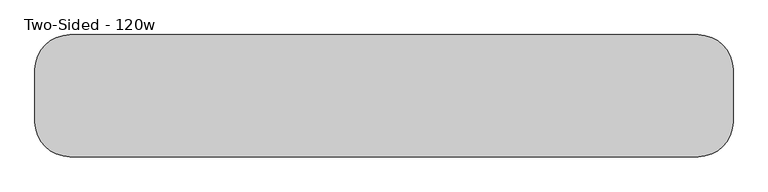
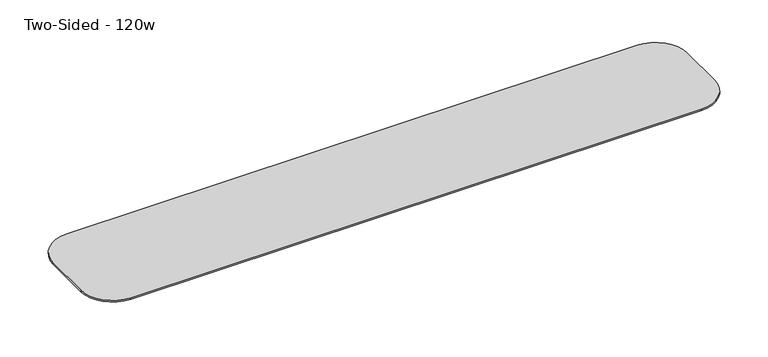
"""IFC4 building model written with IfcOpenShell, lengths in millimetres: furniture geometry, Two-Sided - 120w."""

from ifc_helpers import new_model, si_unit, frame, origin, place, context, project, spatial, polyline, circle_curve, outline, extrude, source, transform, mapped, element, save
from ifc_brep_helpers import plane_surface, cylinder_surface, revolved_surface, advanced_brep


def two_sided_120w_b69caf7f(model_context):
    return source(origin(), model_context, "Body", "SolidModel", [
        extrude(outline(polyline([(-142.2292425, 673.1), (-142.2292425, 711.2), (-2.5292425, 711.2), (-2.5292425, 704.85), (-142.2292425, 673.1)])), frame((902.664177, 0.0, 0.0), z_axis=(1.0, 0.0, 0.0), x_axis=(0.0, 1.0, 0.0)), (0.0, 0.0, 1.0), 82.55),
        extrude(outline(polyline([(-142.2292425, 673.1), (-142.2292425, 711.2), (-2.5292425, 711.2), (-2.5292425, 704.85), (-142.2292425, 673.1)])), frame((245.439177, 0.0, 0.0), z_axis=(1.0, 0.0, 0.0), x_axis=(0.0, 1.0, 0.0)), (0.0, 0.0, 1.0), 82.55),
        extrude(outline(polyline([(-142.2292425, 673.1), (-142.2292425, 711.2), (-2.5292425, 711.2), (-2.5292425, 704.85), (-142.2292425, 673.1)])), frame((-411.785823, 0.0, 0.0), z_axis=(1.0, 0.0, 0.0), x_axis=(0.0, 1.0, 0.0)), (0.0, 0.0, 1.0), 82.55),
        extrude(outline(polyline([(-243.8292425, 673.1), (-383.5292425, 704.85), (-383.5292425, 711.2), (-243.8292425, 711.2), (-243.8292425, 673.1)])), frame((902.664177, 0.0, 0.0), z_axis=(1.0, 0.0, 0.0), x_axis=(0.0, 1.0, 0.0)), (0.0, 0.0, 1.0), 82.55),
        extrude(outline(polyline([(-243.8292425, 673.1), (-383.5292425, 704.85), (-383.5292425, 711.2), (-243.8292425, 711.2), (-243.8292425, 673.1)])), frame((245.439177, 0.0, 0.0), z_axis=(1.0, 0.0, 0.0), x_axis=(0.0, 1.0, 0.0)), (0.0, 0.0, 1.0), 82.55),
        extrude(outline(polyline([(-243.8292425, 673.1), (-383.5292425, 704.85), (-383.5292425, 711.2), (-243.8292425, 711.2), (-243.8292425, 673.1)])), frame((-411.785823, 0.0, 0.0), z_axis=(1.0, 0.0, 0.0), x_axis=(0.0, 1.0, 0.0)), (0.0, 0.0, 1.0), 82.55),
        extrude(outline(polyline([(-142.2292425, 673.1), (-142.2292425, 711.2), (-2.5292425, 711.2), (-2.5292425, 704.85), (-142.2292425, 673.1)])), frame((1559.889177, 0.0, 0.0), z_axis=(1.0, 0.0, 0.0), x_axis=(0.0, 1.0, 0.0)), (0.0, 0.0, 1.0), 82.55),
        extrude(outline(polyline([(-142.2292425, 673.1), (-142.2292425, 711.2), (-2.5292425, 711.2), (-2.5292425, 704.85), (-142.2292425, 673.1)])), frame((-1069.010823, 0.0, 0.0), z_axis=(1.0, 0.0, 0.0), x_axis=(0.0, 1.0, 0.0)), (0.0, 0.0, 1.0), 82.55),
        extrude(outline(polyline([(-243.8292425, 673.1), (-383.5292425, 704.85), (-383.5292425, 711.2), (-243.8292425, 711.2), (-243.8292425, 673.1)])), frame((1559.889177, 0.0, 0.0), z_axis=(1.0, 0.0, 0.0), x_axis=(0.0, 1.0, 0.0)), (0.0, 0.0, 1.0), 82.55),
        extrude(outline(polyline([(-243.8292425, 673.1), (-383.5292425, 704.85), (-383.5292425, 711.2), (-243.8292425, 711.2), (-243.8292425, 673.1)])), frame((-1069.010823, 0.0, 0.0), z_axis=(1.0, 0.0, 0.0), x_axis=(0.0, 1.0, 0.0)), (0.0, 0.0, 1.0), 82.55),
        advanced_brep(
        [(1658.314177, 73.6707575, 742.95), (-1084.885823, 73.6707575, 742.95), (-1237.285823, -78.7292425, 742.95), (-1237.285823, -307.3292425, 742.95), (-1084.885823, -459.7292425, 742.95), (1658.314177, -459.7292425, 742.95), (1810.714177, -307.3292425, 742.95), (1810.714177, -78.7292425, 742.95), (1759.914177, -307.3292425, 711.2), (1658.314177, -408.9292425, 711.2), (-1084.885823, -408.9292425, 711.2), (-1186.485823, -307.3292425, 711.2), (-1186.485823, -78.7292425, 711.2), (-1084.885823, 22.8707575, 711.2), (1658.314177, 22.8707575, 711.2), (1759.914177, -78.7292425, 711.2), (1658.314177, 73.6707575, 734.45116), (-1084.885823, 73.6707575, 734.45116), (-1237.285823, -78.7292425, 734.45116), (-1237.285823, -307.3292425, 734.45116), (-1084.885823, -459.7292425, 734.45116), (1658.314177, -459.7292425, 734.45116), (1810.714177, -307.3292425, 734.45116), (1810.714177, -78.7292425, 734.45116)],
        [
            (0, 1),
            (1, 2, circle_curve(frame((-1084.885823, -78.7292425, 742.95), z_axis=(0.0, 0.0, 1.0), x_axis=(1.0, 0.0, 0.0)), 152.4)),
            (2, 3),
            (3, 4, circle_curve(frame((-1084.885823, -307.3292425, 742.95), z_axis=(0.0, 0.0, 1.0), x_axis=(1.0, 0.0, 0.0)), 152.4)),
            (4, 5),
            (5, 6, circle_curve(frame((1658.314177, -307.3292425, 742.95), z_axis=(0.0, 0.0, 1.0), x_axis=(1.0, 0.0, 0.0)), 152.4)),
            (6, 7),
            (7, 0, circle_curve(frame((1658.314177, -78.7292425, 742.95), z_axis=(0.0, 0.0, 1.0), x_axis=(1.0, 0.0, 0.0)), 152.4)),
            (8, 9, circle_curve(frame((1658.314177, -307.3292425, 711.2), z_axis=(0.0, 0.0, -1.0), x_axis=(0.0, -1.0, 0.0)), 101.6)),
            (9, 10),
            (10, 11, circle_curve(frame((-1084.885823, -307.3292425, 711.2), z_axis=(0.0, 0.0, -1.0), x_axis=(-1.0, 0.0, 0.0)), 101.6)),
            (11, 12),
            (12, 13, circle_curve(frame((-1084.885823, -78.7292425, 711.2), z_axis=(0.0, 0.0, -1.0), x_axis=(0.0, 1.0, 0.0)), 101.6)),
            (13, 14),
            (14, 15, circle_curve(frame((1658.314177, -78.7292425, 711.2), z_axis=(0.0, 0.0, -1.0), x_axis=(1.0, 0.0, 0.0)), 101.6)),
            (15, 8),
            (0, 16),
            (16, 17),
            (17, 1),
            (2, 18),
            (18, 19),
            (19, 3),
            (4, 20),
            (20, 21),
            (21, 5),
            (6, 22),
            (22, 23),
            (23, 7),
            (17, 18, circle_curve(frame((-1084.885823, -78.7292425, 734.45116), z_axis=(0.0, 0.0, 1.0), x_axis=(1.0, 0.0, 0.0)), 152.4)),
            (19, 20, circle_curve(frame((-1084.885823, -307.3292425, 734.45116), z_axis=(0.0, 0.0, 1.0), x_axis=(1.0, 0.0, 0.0)), 152.4)),
            (21, 22, circle_curve(frame((1658.314177, -307.3292425, 734.45116), z_axis=(0.0, 0.0, 1.0), x_axis=(1.0, 0.0, 0.0)), 152.4)),
            (23, 16, circle_curve(frame((1658.314177, -78.7292425, 734.45116), z_axis=(0.0, 0.0, 1.0), x_axis=(1.0, 0.0, 0.0)), 152.4)),
            (8, 22),
            (21, 9),
            (15, 23),
            (18, 12),
            (11, 19),
            (10, 20),
            (14, 16),
            (13, 17),
        ],
        [
            plane_surface(frame((-1084.885823, 73.6707575, 742.95), z_axis=(0.0, 0.0, 1.0), x_axis=(-1.0, 0.0, 0.0))),
            plane_surface(frame((-1084.885823, 73.6707575, 711.2), z_axis=(0.0, 0.0, -1.0), x_axis=(1.0, 0.0, 0.0))),
            plane_surface(frame((1658.314177, 73.6707575, 742.95), z_axis=(0.0, 1.0, 0.0), x_axis=(0.0, 0.0, -1.0))),
            plane_surface(frame((-1237.285823, -78.7292425, 742.95), z_axis=(-1.0, 0.0, 0.0), x_axis=(0.0, 0.0, -1.0))),
            plane_surface(frame((-1084.885823, -459.7292425, 742.95), z_axis=(0.0, -1.0, 0.0), x_axis=(0.0, 0.0, -1.0))),
            plane_surface(frame((1810.714177, -307.3292425, 742.95), z_axis=(1.0, 0.0, 0.0), x_axis=(0.0, 0.0, -1.0))),
            cylinder_surface(frame((-1084.885823, -78.7292425, 711.2), z_axis=(0.0, 0.0, 1.0), x_axis=(1.0, 0.0, 0.0)), 152.4),
            cylinder_surface(frame((-1084.885823, -307.3292425, 711.2), z_axis=(0.0, 0.0, 1.0), x_axis=(1.0, 0.0, 0.0)), 152.4),
            cylinder_surface(frame((1658.314177, -307.3292425, 711.2), z_axis=(0.0, 0.0, 1.0), x_axis=(1.0, 0.0, 0.0)), 152.4),
            cylinder_surface(frame((1658.314177, -78.7292425, 711.2), z_axis=(0.0, 0.0, 1.0), x_axis=(1.0, 0.0, 0.0)), 152.4),
            revolved_surface(polyline([(1658.314177, -325.686944, 673.1), (1658.314177, -459.7292425, 734.45116)]), (1658.314177, -307.3292425, 742.95), (0.0, 0.0, 1.0)),
            plane_surface(frame((1810.714177, -307.3292425, 734.45116), z_axis=(0.4161787475539382, 0.0, -0.9092828218351183), x_axis=(0.0, 1.0, 0.0))),
            plane_surface(frame((-1237.285823, -78.7292425, 734.45116), z_axis=(-0.4161787475539382, 0.0, -0.9092828218351183), x_axis=(0.0, -1.0, 0.0))),
            revolved_surface(polyline([(-1103.2435246, -307.3292425, 673.1), (-1237.285823, -307.3292425, 734.45116)]), (-1084.885823, -307.3292425, 742.95), (0.0, 0.0, 1.0)),
            plane_surface(frame((-1084.885823, -459.7292425, 734.45116), z_axis=(0.0, -0.4161787475539382, -0.9092828218351183), x_axis=(1.0, 0.0, 0.0))),
            revolved_surface(polyline([(1676.6718785, -78.7292425, 673.1), (1810.714177, -78.7292425, 734.45116)]), (1658.314177, -78.7292425, 742.95), (0.0, 0.0, 1.0)),
            plane_surface(frame((1658.314177, 73.6707575, 734.45116), z_axis=(0.0, 0.4161787475539382, -0.9092828218351183), x_axis=(-1.0, 0.0, 0.0))),
            revolved_surface(polyline([(-1084.885823, -60.3715409, 673.1), (-1084.885823, 73.6707575, 734.45116)]), (-1084.885823, -78.7292425, 742.95), (0.0, 0.0, 1.0)),
        ],
        [
            (0, [[1, 2, 3, 4, 5, 6, 7, 8]]),
            (1, [[9, 10, 11, 12, 13, 14, 15, 16]]),
            (2, [[-1, 17, 18, 19]]),
            (3, [[-3, 20, 21, 22]]),
            (4, [[-5, 23, 24, 25]]),
            (5, [[-7, 26, 27, 28]]),
            (6, [[-2, -19, 29, -20]]),
            (7, [[-4, -22, 30, -23]]),
            (8, [[-6, -25, 31, -26]]),
            (9, [[-8, -28, 32, -17]]),
            (10, [[33, -31, 34, -9]]),
            (11, [[-33, -16, 35, -27]]),
            (12, [[36, -12, 37, -21]]),
            (13, [[-37, -11, 38, -30]]),
            (14, [[-38, -10, -34, -24]]),
            (15, [[-35, -15, 39, -32]]),
            (16, [[-39, -14, 40, -18]]),
            (17, [[-40, -13, -36, -29]]),
        ],
    ),
    ])


if __name__ == "__main__":
    model = new_model("IFC4")
    model_context = context("Model", 3, world=origin())
    ifc_project = project(units=[si_unit("LENGTHUNIT", "METRE", prefix="MILLI")], contexts=[model_context])
    site = spatial("IfcSite", under=ifc_project)
    building = spatial("IfcBuilding", under=site)
    placement = place(None, origin())
    two_sided_120w_shape = two_sided_120w_b69caf7f(model_context)
    element("IfcFurniture", 1, ObjectType="Two-Sided - 120w", at=placement, inside=building, context=model_context, shape_type="MappedRepresentation", body=[
        mapped(two_sided_120w_shape, transform((0.0, 0.0, 0.0), x_axis=(1.0, 0.0, 0.0), y_axis=(0.0, 1.0, 0.0), z_axis=(0.0, 0.0, 1.0))),
    ])
    save(model, "model.ifc")
